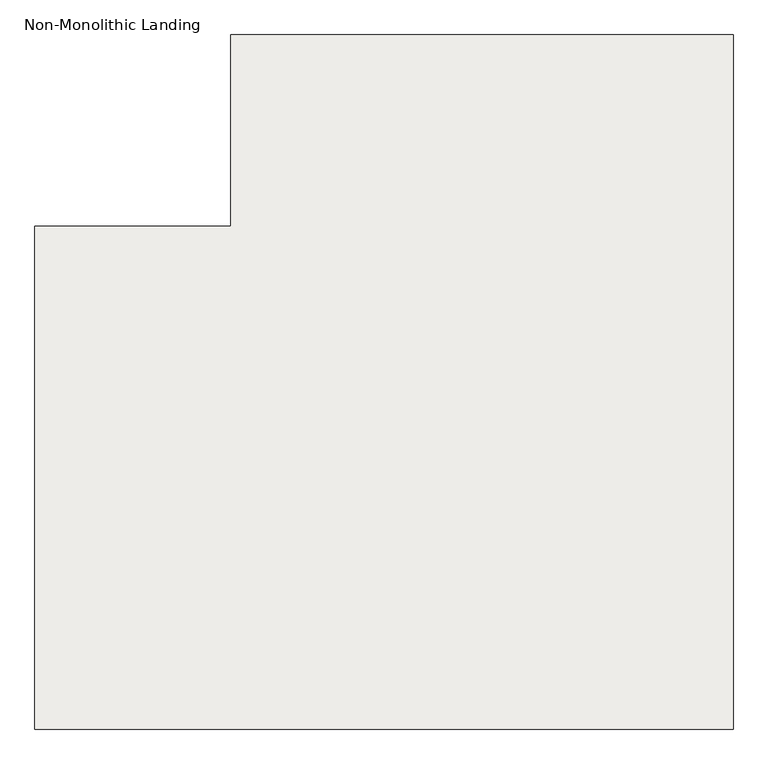
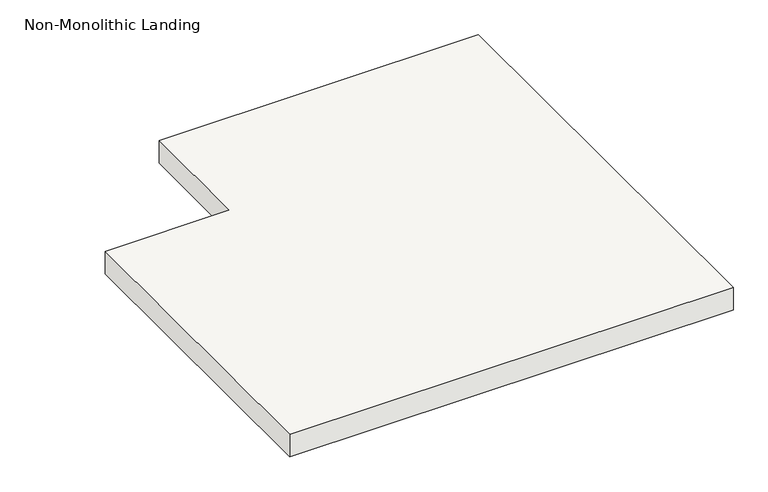
"""IFC4 building model written with IfcOpenShell, lengths in millimetres: slab geometry, Non-Monolithic Landing."""

import ifcopenshell
import ifcopenshell.guid

model = None  # the IFC model being written
_history = None  # IfcOwnerHistory: only IFC2X3 demands one
_inside = {}  # id of a spatial element -> (the spatial element, [elements in it])
_under = {}  # id of a project, library or spatial element -> (it, [spatial elements below it])
_declared = {}  # id of a project -> (the project, [libraries it declares])
_typed = {}  # id of a type object -> (the type object, [elements of that type])
_made_of = {}  # id of a material, layer set ... -> (it, [elements and type objects made of it])


def new_model(schema):
    """Start an empty IFC model of exactly this schema.

    Asked for "IFC4X3", IfcOpenShell would pick the latest addendum, in which some entities
    have other attributes; the version numbers below select the first issue.
    IFC2X3 requires an IfcOwnerHistory on every rooted entity: one is made here for all.
    """
    global model, _history
    if schema == "IFC4X3":
        model = ifcopenshell.file(schema_version=(4, 3, 0, 0))
    else:
        model = ifcopenshell.file(schema=schema)
    _inside.clear()
    _under.clear()
    _declared.clear()
    _typed.clear()
    _made_of.clear()
    _history = None
    if model.schema == "IFC2X3":
        org = make("IfcOrganization", Name="unknown")
        user = make(
            "IfcPersonAndOrganization",
            ThePerson=make("IfcPerson", FamilyName="unknown"),
            TheOrganization=org,
        )
        app = make(
            "IfcApplication",
            ApplicationDeveloper=org,
            Version="unknown",
            ApplicationFullName="unknown",
            ApplicationIdentifier="unknown",
        )
        _history = make(
            "IfcOwnerHistory",
            OwningUser=user,
            OwningApplication=app,
            ChangeAction="ADDED",
            CreationDate=0,
        )
    return model


def make(cls, **values):
    """One entity of the class cls with the attributes given. An attribute that is None is left unset."""
    return model.create_entity(
        cls, **{name: value for name, value in values.items() if value is not None}
    )


def rooted(cls, **values):
    """An entity with a GlobalId (a new one), such as an element, a storey or a relation."""
    return make(cls, GlobalId=ifcopenshell.guid.new(), OwnerHistory=_history, **values)


def si_unit(unit_type, name, prefix=None):
    """IfcSIUnit, for example si_unit("LENGTHUNIT", "METRE", prefix="MILLI")."""
    return make("IfcSIUnit", UnitType=unit_type, Prefix=prefix, Name=name)


def assignment(units):
    """IfcUnitAssignment: the units of a project."""
    return None if units is None else make("IfcUnitAssignment", Units=units)


def point(xyz):
    """IfcCartesianPoint."""
    return None if xyz is None else make("IfcCartesianPoint", Coordinates=xyz)


def direction(xyz):
    """IfcDirection."""
    return None if xyz is None else make("IfcDirection", DirectionRatios=xyz)


def frame(location, z_axis=None, x_axis=None):
    """IfcAxis2Placement3D, a coordinate frame: its origin and axes. An axis left out is left unset."""
    return make(
        "IfcAxis2Placement3D",
        Location=point(location),
        Axis=direction(z_axis),
        RefDirection=direction(x_axis),
    )


def origin():
    """The frame at (0, 0, 0) with its axes left unset."""
    return frame((0.0, 0.0, 0.0))


def place(relative_to, where):
    """IfcLocalPlacement: puts the frame where relative to a parent placement (None: the world)."""
    return make(
        "IfcLocalPlacement", PlacementRelTo=relative_to, RelativePlacement=where
    )


def context(
    kind, dimensions, precision=None, world=None, true_north=None, identifier=None
):
    """IfcGeometricRepresentationContext, for example the 3D "Model" context."""
    return make(
        "IfcGeometricRepresentationContext",
        ContextIdentifier=identifier,
        ContextType=kind,
        CoordinateSpaceDimension=dimensions,
        Precision=precision,
        WorldCoordinateSystem=world,
        TrueNorth=true_north,
    )


def project(units=None, contexts=None):
    """IfcProject with its units and contexts."""
    return rooted(
        "IfcProject",
        Name="project",
        RepresentationContexts=contexts,
        UnitsInContext=assignment(units),
    )


def spatial(cls, under=None, at=None, **own):
    """A site, building, storey or space (cls), placed at a placement, below another one or the project."""
    s = rooted(cls, ObjectPlacement=at, **own)
    if under is not None:
        _under.setdefault(under.id(), (under, []))[1].append(s)
    return s


def polyline(points):
    """IfcPolyline through the points."""
    return make("IfcPolyline", Points=[point(p) for p in points])


def outline(outer, holes=None, kind="AREA"):
    """IfcArbitraryClosedProfileDef: a profile drawn as a closed curve; with holes, ...WithVoids."""
    if holes is None:
        return make("IfcArbitraryClosedProfileDef", ProfileType=kind, OuterCurve=outer)
    return make(
        "IfcArbitraryProfileDefWithVoids",
        ProfileType=kind,
        OuterCurve=outer,
        InnerCurves=holes,
    )


def extrude(swept, where, along, depth):
    """IfcExtrudedAreaSolid: the profile swept, set in the frame where, extruded along a direction by depth."""
    return make(
        "IfcExtrudedAreaSolid",
        SweptArea=swept,
        Position=where,
        ExtrudedDirection=direction(along),
        Depth=depth,
    )


def shape(context_of_items, identifier, shape_type, items):
    """IfcShapeRepresentation: the items that make up one representation, for example the "Body"."""
    return make(
        "IfcShapeRepresentation",
        ContextOfItems=context_of_items,
        RepresentationIdentifier=identifier,
        RepresentationType=shape_type,
        Items=items,
    )


def source(mapping_origin, context_of_items, identifier, shape_type, items):
    """IfcRepresentationMap: a shape defined once, which mapped items show again and again."""
    return make(
        "IfcRepresentationMap",
        MappingOrigin=mapping_origin,
        MappedRepresentation=shape(context_of_items, identifier, shape_type, items),
    )


def transform(
    local_origin,
    x_axis=None,
    y_axis=None,
    z_axis=None,
    scale=None,
    scale2=None,
    scale3=None,
    uniform=True,
):
    """IfcCartesianTransformationOperator3D, or its non-uniform kind. x_axis, y_axis, z_axis: its Axis1, 2, 3."""
    if uniform:
        return make(
            "IfcCartesianTransformationOperator3D",
            Axis1=direction(x_axis),
            Axis2=direction(y_axis),
            LocalOrigin=point(local_origin),
            Scale=scale,
            Axis3=direction(z_axis),
        )
    return make(
        "IfcCartesianTransformationOperator3DnonUniform",
        Axis1=direction(x_axis),
        Axis2=direction(y_axis),
        LocalOrigin=point(local_origin),
        Scale=scale,
        Axis3=direction(z_axis),
        Scale2=scale2,
        Scale3=scale3,
    )


def mapped(mapping_source, mapping_target):
    """IfcMappedItem: shows the shape of a source again, moved by a transform."""
    return make(
        "IfcMappedItem", MappingSource=mapping_source, MappingTarget=mapping_target
    )


def made_of(thing, what):
    """Note that an element or type object is made of a material, layer set ...; save() writes the relation."""
    if what is not None:
        _made_of.setdefault(what.id(), (what, []))[1].append(thing)
    return thing


def element(
    cls,
    number,
    at=None,
    inside=None,
    cuts=None,
    type_object=None,
    material=None,
    context=None,
    identifier="Body",
    shape_type=None,
    held_by="IfcProductDefinitionShape",
    body=None,
    shapes=None,
    **own,
):
    """One element of the class cls, such as IfcWall. Its Tag is "e" and its number.

    at: its placement. inside: the storey or other place that contains it. cuts: it is an
    opening in that element (IfcRelVoidsElement). A single representation is given by context,
    identifier, shape_type and body (its items); several are given by shapes. held_by: the class
    of the entity that holds the representations. save() writes the other relations.
    """
    e = rooted(cls, Tag="e%d" % number, ObjectPlacement=at, **own)
    if body is not None:
        shapes = [shape(context, identifier, shape_type, body)]
    if shapes is not None:
        e.Representation = make(held_by, Representations=shapes)
    if inside is not None:
        _inside.setdefault(inside.id(), (inside, []))[1].append(e)
    if cuts is not None:
        rooted(
            "IfcRelVoidsElement", RelatingBuildingElement=cuts, RelatedOpeningElement=e
        )
    if type_object is not None:
        _typed.setdefault(type_object.id(), (type_object, []))[1].append(e)
    return made_of(e, material)


def aggregate(whole, parts):
    """IfcRelAggregates: a whole, such as a stair, and the parts it consists of."""
    return rooted("IfcRelAggregates", RelatingObject=whole, RelatedObjects=parts)


def save(model, path):
    """Write the relations noted so far, then the file.

    IfcRelAggregates (storeys below a building ...), IfcRelContainedInSpatialStructure (elements
    in a storey), IfcRelDefinesByType, IfcRelAssociatesMaterial and IfcRelDeclares: one each for
    every whole, place, type object, material and project.
    """
    for whole, parts in _under.values():
        aggregate(whole, parts)
    for where, things in _inside.values():
        rooted(
            "IfcRelContainedInSpatialStructure",
            RelatedElements=things,
            RelatingStructure=where,
        )
    for kind, things in _typed.values():
        rooted("IfcRelDefinesByType", RelatedObjects=things, RelatingType=kind)
    for what, things in _made_of.values():
        rooted("IfcRelAssociatesMaterial", RelatedObjects=things, RelatingMaterial=what)
    for by, libraries in _declared.values():
        rooted("IfcRelDeclares", RelatingContext=by, RelatedDefinitions=libraries)
    model.write(path)


def non_monolithic_landing_bca76b67(model_context):
    return source(origin(), model_context, "Body", "SweptSolid", [
        extrude(outline(polyline([(-257976.0728459, 173576.4420048), (-257976.0728459, 172173.0920048), (-259387.6567903, 172173.0920048), (-259387.6567903, 173189.0920048), (-258992.0728459, 173189.0920048), (-258992.0728459, 173576.4420048), (-257976.0728459, 173576.4420048)])), frame((0.0, 0.0, -3016.552381), z_axis=(0.0, 0.0, 1.0), x_axis=(1.0, 0.0, 0.0)), (0.0, 0.0, 1.0), 76.2),
    ])


if __name__ == "__main__":
    model = new_model("IFC4")
    model_context = context("Model", 3, world=origin())
    ifc_project = project(units=[si_unit("LENGTHUNIT", "METRE", prefix="MILLI")], contexts=[model_context])
    site = spatial("IfcSite", under=ifc_project)
    building = spatial("IfcBuilding", under=site)
    placement = place(None, origin())
    non_monolithic_landing_shape = non_monolithic_landing_bca76b67(model_context)
    element("IfcSlab", 1, ObjectType="Non-Monolithic Landing", at=placement, inside=building, context=model_context, shape_type="MappedRepresentation", body=[
        mapped(non_monolithic_landing_shape, transform((0.0, 0.0, 0.0), x_axis=(1.0, 0.0, 0.0), y_axis=(0.0, 1.0, 0.0), z_axis=(0.0, 0.0, 1.0))),
    ])
    save(model, "model.ifc")
